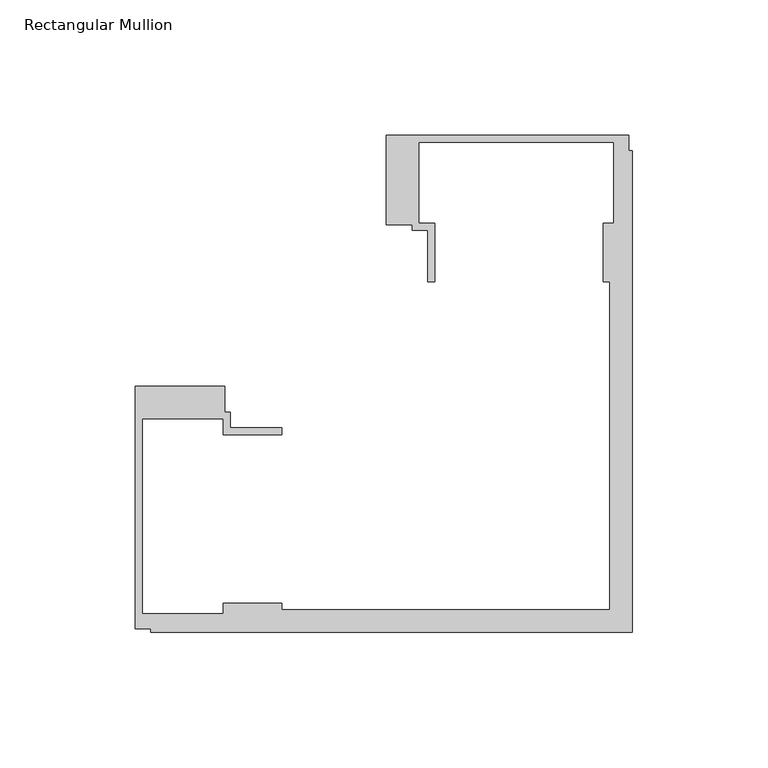
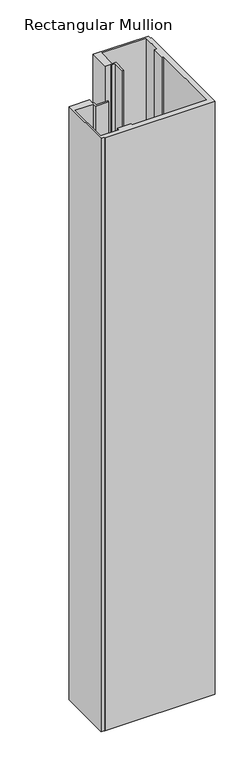
"""IFC4 building model written with IfcOpenShell, lengths in millimetres: member geometry, Rectangular Mullion."""

from ifc_helpers import new_model, si_unit, frame, origin, place, context, project, spatial, polyline, outline, extrude, source, transform, mapped, element, save


def rectangular_mullion_3eefe633(model_context):
    return source(origin(), model_context, "Body", "SweptSolid", [
        extrude(outline(polyline([(-150.4039146, -14.9961656), (-150.4039146, -24.4862839), (-148.4039146, -24.4862839), (-148.4039146, -30.2961656), (-129.4039146, -30.2961656), (-129.4039146, -32.7961656), (-150.9039146, -32.7961656), (-150.9039146, -26.9961656), (-180.9039146, -26.9961656), (-180.9039146, -98.9961656), (-150.9039146, -98.9961656), (-150.9039146, -94.9961656), (-129.4039146, -94.9961656), (-129.4039146, -97.4961656), (-8.2039451, -97.4961656), (-8.2039451, 23.7038038), (-10.7039451, 23.7038038), (-10.7039451, 45.308114), (-6.7039451, 45.308114), (-6.7039451, 75.2038038), (-78.7039451, 75.2038038), (-78.7039451, 45.2038038), (-72.9039451, 45.2038038), (-72.9039451, 23.7038038), (-75.4039451, 23.7038038), (-75.4039451, 42.7038038), (-81.2039451, 42.7038038), (-81.2039451, 44.7038038), (-90.7039451, 44.7038038), (-90.7039451, 77.7038038), (-1.2039451, 77.7038038), (-1.2039451, 71.9884533), (0.0, 71.9884533), (0.0, -105.7001107), (-177.7039408, -105.7001107), (-177.7039408, -104.4961656), (-183.4039146, -104.4961656), (-183.4039146, -14.9961656), (-150.4039146, -14.9961656)])), frame((0.0, 0.0, -1010.8287902), z_axis=(0.0, 0.0, 1.0), x_axis=(1.0, 0.0, 0.0)), (0.0, 0.0, 1.0), 1010.8287902),
    ])


if __name__ == "__main__":
    model = new_model("IFC4")
    model_context = context("Model", 3, world=origin())
    ifc_project = project(units=[si_unit("LENGTHUNIT", "METRE", prefix="MILLI")], contexts=[model_context])
    site = spatial("IfcSite", under=ifc_project)
    building = spatial("IfcBuilding", under=site)
    placement = place(None, origin())
    rectangular_mullion_shape = rectangular_mullion_3eefe633(model_context)
    element("IfcMember", 1, ObjectType="Rectangular Mullion", at=placement, inside=building, context=model_context, shape_type="MappedRepresentation", body=[
        mapped(rectangular_mullion_shape, transform((0.0, 0.0, 0.0), x_axis=(1.0, 0.0, 0.0), y_axis=(0.0, 1.0, 0.0), z_axis=(0.0, 0.0, 1.0))),
    ])
    save(model, "model.ifc")
